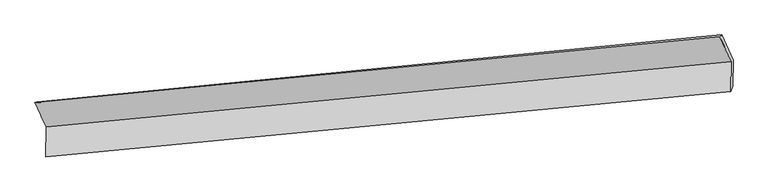
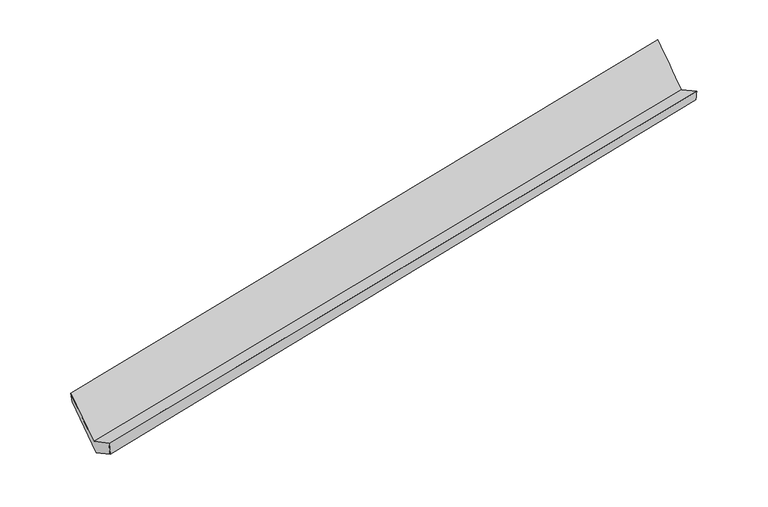
"""IFC4 building model written with IfcOpenShell, lengths in millimetres: proxy geometry."""

from ifc_helpers import new_model, si_unit, frame, origin, place, context, project, spatial, source, transform, mapped, element, save
from ifc_brep_helpers import plane_surface, spline_surface, advanced_brep


def generic_models_7e92d2f2(model_context):
    return source(origin(), model_context, "Body", "AdvancedBrep", [
        advanced_brep(
        [(-7613.9212429, -1953.3287402, 816.7073596), (-7616.838049, -2371.3241079, 1042.1613264), (1963.9147033, -1454.8553762, 2861.5192294), (1966.8315094, -1036.8600085, 2636.0652626), (-7578.943537, -2333.6996519, 828.1281028), (1992.7615194, -1381.0922014, 2672.2397714), (-7576.3779398, -1966.0345834, 629.820766), (1995.3271165, -1013.4271328, 2473.9324346), (-7741.8410514, -1603.7844996, 1299.297712), (1837.9160157, -660.110607, 3126.9505898), (-7770.6818289, -1610.1311849, 1450.9731928), (1809.6216224, -683.9951165, 3288.2486844)],
        [
            (0, 1),
            (1, 2),
            (2, 3),
            (3, 0),
            (1, 4),
            (4, 5),
            (5, 2),
            (4, 6),
            (6, 7),
            (7, 5),
            (6, 8),
            (8, 9),
            (9, 7),
            (8, 10),
            (10, 11),
            (11, 9),
            (10, 0),
            (3, 11),
        ],
        [
            plane_surface(frame((-7615.379646, -2162.3264241, 929.434343), z_axis=(-0.20789430136508183, 0.46547061875174683, 0.8603005652321697), x_axis=(-0.006141554725775454, -0.8801206882821313, 0.47471028571470614))),
            spline_surface(1, 1, [[(-7616.838049, -2371.3241079, 1042.1613264), (1963.9147033, -1454.8553762, 2861.5192294)], [(-7578.943537, -2333.6996519, 828.1281028), (1992.7615194, -1381.0922014, 2672.2397714)]], [2, 2], [2, 2], [0.0, 1.0], [0.0, 1.0]),
            plane_surface(frame((-7577.6607384, -2149.8671177, 728.9744344), z_axis=(0.21188714575731, -0.4650852779285238, -0.8595344796556845), x_axis=(0.006141554725773206, 0.8801206882821356, -0.47471028571469803))),
            spline_surface(1, 1, [[(-7576.3779398, -1966.0345834, 629.820766), (1995.3271165, -1013.4271328, 2473.9324346)], [(-7741.8410514, -1603.7844996, 1299.297712), (1837.9160157, -660.110607, 3126.9505898)]], [2, 2], [2, 2], [0.0, 1.0], [0.0, 1.0]),
            spline_surface(1, 1, [[(-7741.8410514, -1603.7844996, 1299.297712), (1837.9160157, -660.110607, 3126.9505898)], [(-7770.6818289, -1610.1311849, 1450.9731928), (1809.6216224, -683.9951165, 3288.2486844)]], [2, 2], [2, 2], [0.0, 1.0], [0.0, 1.0]),
            spline_surface(1, 1, [[(-7770.6818289, -1610.1311849, 1450.9731928), (1809.6216224, -683.9951165, 3288.2486844)], [(-7613.9212429, -1953.3287402, 816.7073596), (1966.8315094, -1036.8600085, 2636.0652626)]], [2, 2], [2, 2], [0.0, 1.0], [0.0, 1.0]),
            plane_surface(frame((1927.7287478, -1038.3900737, 2843.1593287), z_axis=(0.9782370515519239, 0.0931705158987373, 0.1853955930926134), x_axis=(-0.17096975602446762, -0.14432289515019545, 0.97464878005382))),
            plane_surface(frame((-7649.7672748, -1973.0504613, 1011.1814099), z_axis=(-0.977161065176122, -0.09555554582532831, -0.18980355730567916), x_axis=(-0.21241123795463773, 0.46503409737336177, 0.859432809631283))),
        ],
        [
            (0, [[1, 2, 3, 4]]),
            (1, [[5, 6, 7, -2]]),
            (2, [[8, 9, 10, -6]]),
            (3, [[11, 12, 13, -9]]),
            (4, [[14, 15, 16, -12]]),
            (5, [[17, -4, 18, -15]]),
            (6, [[-16, -18, -3, -7, -10, -13]]),
            (7, [[-17, -14, -11, -8, -5, -1]]),
        ],
    ),
    ])


if __name__ == "__main__":
    model = new_model("IFC4")
    model_context = context("Model", 3, world=origin())
    ifc_project = project(units=[si_unit("LENGTHUNIT", "METRE", prefix="MILLI")], contexts=[model_context])
    site = spatial("IfcSite", under=ifc_project)
    building = spatial("IfcBuilding", under=site)
    placement = place(None, origin())
    generic_models_shape = generic_models_7e92d2f2(model_context)
    element("IfcBuildingElementProxy", 1, Name="Generic Models", at=placement, inside=building, context=model_context, shape_type="MappedRepresentation", body=[
        mapped(generic_models_shape, transform((0.0, 0.0, 0.0), x_axis=(1.0, 0.0, 0.0), y_axis=(0.0, 1.0, 0.0), z_axis=(0.0, 0.0, 1.0))),
    ])
    save(model, "model.ifc")
